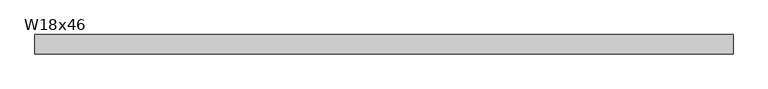
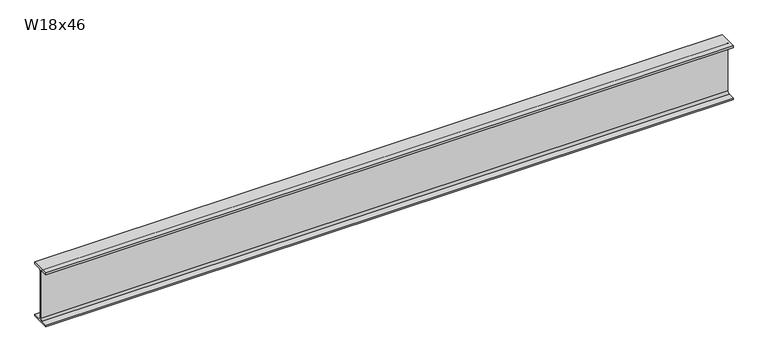
"""IFC4 building model written with IfcOpenShell, lengths in millimetres: beam geometry, W18x46."""

from ifc_helpers import new_model, si_unit, point, frame, frame_2d, origin, place, context, project, spatial, polyline, circle_curve, trimmed, segment, composite_curve, outline, extrude, source, transform, mapped, element, save


def w18x46_948a8100(model_context):
    return source(origin(), model_context, "Body", "SweptSolid", [
        extrude(outline(composite_curve([segment(polyline([(76.962, -214.503), (76.962, -229.87), (-76.962, -229.87), (-76.962, -214.503), (-20.955, -214.503)]), True, "CONTINUOUS"), segment(trimmed(circle_curve(frame_2d((-20.955, -198.12)), 16.383), [point((-20.955, -214.503))], [point((-4.572, -198.12))], True, "CARTESIAN"), True, "CONTINUOUS"), segment(polyline([(-4.572, -198.12), (-4.572, 198.12)]), True, "CONTINUOUS"), segment(trimmed(circle_curve(frame_2d((-20.955, 198.12)), 16.383), [point((-4.572, 198.12))], [point((-20.955, 214.503))], True, "CARTESIAN"), True, "CONTINUOUS"), segment(polyline([(-20.955, 214.503), (-76.962, 214.503), (-76.962, 229.87), (76.962, 229.87), (76.962, 214.503), (20.955, 214.503)]), True, "CONTINUOUS"), segment(trimmed(circle_curve(frame_2d((20.955, 198.12)), 16.383), [point((20.955, 214.503))], [point((4.572, 198.12))], True, "CARTESIAN"), True, "CONTINUOUS"), segment(polyline([(4.572, 198.12), (4.572, -198.12)]), True, "CONTINUOUS"), segment(trimmed(circle_curve(frame_2d((20.955, -198.12)), 16.383), [point((4.572, -198.12))], [point((20.955, -214.503))], True, "CARTESIAN"), True, "CONTINUOUS"), segment(polyline([(20.955, -214.503), (76.962, -214.503)]), True, "CONTINUOUS")], self_intersect=False)), frame((-2838.799115, 0.0, 0.0), z_axis=(1.0, 0.0, 0.0), x_axis=(0.0, 1.0, 0.0)), (0.0, 0.0, 1.0), 5536.9393339),
    ])


if __name__ == "__main__":
    model = new_model("IFC4")
    model_context = context("Model", 3, world=origin())
    ifc_project = project(units=[si_unit("LENGTHUNIT", "METRE", prefix="MILLI")], contexts=[model_context])
    site = spatial("IfcSite", under=ifc_project)
    building = spatial("IfcBuilding", under=site)
    placement = place(None, origin())
    w18x46_shape = w18x46_948a8100(model_context)
    element("IfcBeam", 1, ObjectType="W18x46", at=placement, inside=building, context=model_context, shape_type="MappedRepresentation", body=[
        mapped(w18x46_shape, transform((0.0, 0.0, 0.0), x_axis=(1.0, 0.0, 0.0), y_axis=(0.0, 1.0, 0.0), z_axis=(0.0, 0.0, 1.0))),
    ])
    save(model, "model.ifc")
